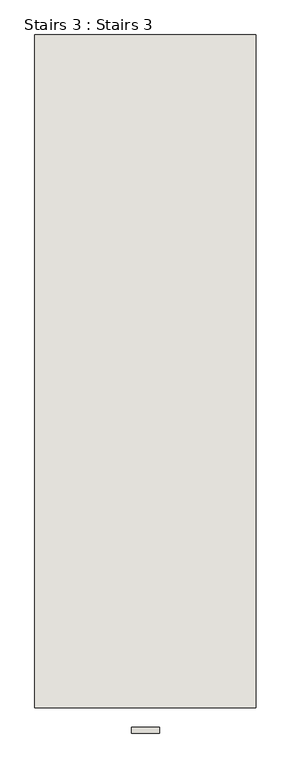
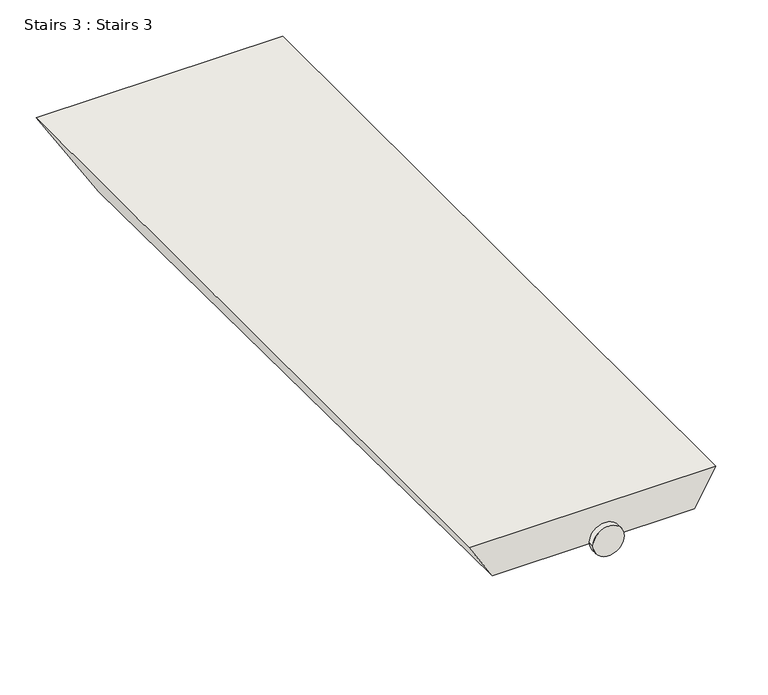
"""IFC4 building model written with IfcOpenShell, lengths in millimetres: wall geometry, Stairs 3 : Stairs 3."""

import ifcopenshell
import ifcopenshell.guid

model = None  # the IFC model being written
_history = None  # IfcOwnerHistory: only IFC2X3 demands one
_inside = {}  # id of a spatial element -> (the spatial element, [elements in it])
_under = {}  # id of a project, library or spatial element -> (it, [spatial elements below it])
_declared = {}  # id of a project -> (the project, [libraries it declares])
_typed = {}  # id of a type object -> (the type object, [elements of that type])
_made_of = {}  # id of a material, layer set ... -> (it, [elements and type objects made of it])


def new_model(schema):
    """Start an empty IFC model of exactly this schema.

    Asked for "IFC4X3", IfcOpenShell would pick the latest addendum, in which some entities
    have other attributes; the version numbers below select the first issue.
    IFC2X3 requires an IfcOwnerHistory on every rooted entity: one is made here for all.
    """
    global model, _history
    if schema == "IFC4X3":
        model = ifcopenshell.file(schema_version=(4, 3, 0, 0))
    else:
        model = ifcopenshell.file(schema=schema)
    _inside.clear()
    _under.clear()
    _declared.clear()
    _typed.clear()
    _made_of.clear()
    _history = None
    if model.schema == "IFC2X3":
        org = make("IfcOrganization", Name="unknown")
        user = make(
            "IfcPersonAndOrganization",
            ThePerson=make("IfcPerson", FamilyName="unknown"),
            TheOrganization=org,
        )
        app = make(
            "IfcApplication",
            ApplicationDeveloper=org,
            Version="unknown",
            ApplicationFullName="unknown",
            ApplicationIdentifier="unknown",
        )
        _history = make(
            "IfcOwnerHistory",
            OwningUser=user,
            OwningApplication=app,
            ChangeAction="ADDED",
            CreationDate=0,
        )
    return model


def make(cls, **values):
    """One entity of the class cls with the attributes given. An attribute that is None is left unset."""
    return model.create_entity(
        cls, **{name: value for name, value in values.items() if value is not None}
    )


def rooted(cls, **values):
    """An entity with a GlobalId (a new one), such as an element, a storey or a relation."""
    return make(cls, GlobalId=ifcopenshell.guid.new(), OwnerHistory=_history, **values)


def si_unit(unit_type, name, prefix=None):
    """IfcSIUnit, for example si_unit("LENGTHUNIT", "METRE", prefix="MILLI")."""
    return make("IfcSIUnit", UnitType=unit_type, Prefix=prefix, Name=name)


def assignment(units):
    """IfcUnitAssignment: the units of a project."""
    return None if units is None else make("IfcUnitAssignment", Units=units)


def point(xyz):
    """IfcCartesianPoint."""
    return None if xyz is None else make("IfcCartesianPoint", Coordinates=xyz)


def direction(xyz):
    """IfcDirection."""
    return None if xyz is None else make("IfcDirection", DirectionRatios=xyz)


def frame(location, z_axis=None, x_axis=None):
    """IfcAxis2Placement3D, a coordinate frame: its origin and axes. An axis left out is left unset."""
    return make(
        "IfcAxis2Placement3D",
        Location=point(location),
        Axis=direction(z_axis),
        RefDirection=direction(x_axis),
    )


def frame_2d(location, x_axis=None):
    """IfcAxis2Placement2D, a coordinate frame in the plane: its origin and x axis."""
    return make(
        "IfcAxis2Placement2D", Location=point(location), RefDirection=direction(x_axis)
    )


def origin():
    """The frame at (0, 0, 0) with its axes left unset."""
    return frame((0.0, 0.0, 0.0))


def place(relative_to, where):
    """IfcLocalPlacement: puts the frame where relative to a parent placement (None: the world)."""
    return make(
        "IfcLocalPlacement", PlacementRelTo=relative_to, RelativePlacement=where
    )


def context(
    kind, dimensions, precision=None, world=None, true_north=None, identifier=None
):
    """IfcGeometricRepresentationContext, for example the 3D "Model" context."""
    return make(
        "IfcGeometricRepresentationContext",
        ContextIdentifier=identifier,
        ContextType=kind,
        CoordinateSpaceDimension=dimensions,
        Precision=precision,
        WorldCoordinateSystem=world,
        TrueNorth=true_north,
    )


def project(units=None, contexts=None):
    """IfcProject with its units and contexts."""
    return rooted(
        "IfcProject",
        Name="project",
        RepresentationContexts=contexts,
        UnitsInContext=assignment(units),
    )


def spatial(cls, under=None, at=None, **own):
    """A site, building, storey or space (cls), placed at a placement, below another one or the project."""
    s = rooted(cls, ObjectPlacement=at, **own)
    if under is not None:
        _under.setdefault(under.id(), (under, []))[1].append(s)
    return s


def circle_curve(where, radius):
    """IfcCircle in the frame where."""
    return make("IfcCircle", Position=where, Radius=radius)


def trimmed(basis, trim1, trim2, sense, master):
    """IfcTrimmedCurve: the piece of a basis curve between two trims."""
    return make(
        "IfcTrimmedCurve",
        BasisCurve=basis,
        Trim1=trim1,
        Trim2=trim2,
        SenseAgreement=sense,
        MasterRepresentation=master,
    )


def segment(curve, same_sense, transition):
    """IfcCompositeCurveSegment."""
    return make(
        "IfcCompositeCurveSegment",
        Transition=transition,
        SameSense=same_sense,
        ParentCurve=curve,
    )


def composite_curve(segments, self_intersect=None):
    """IfcCompositeCurve: segments joined end to end."""
    return make("IfcCompositeCurve", Segments=segments, SelfIntersect=self_intersect)


def outline(outer, holes=None, kind="AREA"):
    """IfcArbitraryClosedProfileDef: a profile drawn as a closed curve; with holes, ...WithVoids."""
    if holes is None:
        return make("IfcArbitraryClosedProfileDef", ProfileType=kind, OuterCurve=outer)
    return make(
        "IfcArbitraryProfileDefWithVoids",
        ProfileType=kind,
        OuterCurve=outer,
        InnerCurves=holes,
    )


def extrude(swept, where, along, depth):
    """IfcExtrudedAreaSolid: the profile swept, set in the frame where, extruded along a direction by depth."""
    return make(
        "IfcExtrudedAreaSolid",
        SweptArea=swept,
        Position=where,
        ExtrudedDirection=direction(along),
        Depth=depth,
    )


def faces_of(points, faces, orient=None, outer=None):
    """IfcFace entities. A face is a list of loops; a loop is a list of indices into points, from 0.

    orient and outer hold one flag for each loop. By default every Orientation is true, the
    first loop of a face is its IfcFaceOuterBound and the others are IfcFaceBound.
    """
    made = []
    for i, loops in enumerate(faces):
        bounds = []
        for j, loop in enumerate(loops):
            is_outer = j == 0 if outer is None else outer[i][j]
            bounds.append(
                make(
                    "IfcFaceOuterBound" if is_outer else "IfcFaceBound",
                    Bound=make("IfcPolyLoop", Polygon=[points[k] for k in loop]),
                    Orientation=True if orient is None else orient[i][j],
                )
            )
        made.append(make("IfcFace", Bounds=bounds))
    return made


def faceted_brep(points, faces, orient=None, outer=None, voids=None):
    """IfcFacetedBrep: a solid bounded by flat faces; with voids (closed shells), ...WithVoids."""
    shared = [point(p) for p in points]
    hull = make("IfcClosedShell", CfsFaces=faces_of(shared, faces, orient, outer))
    if voids is None:
        return make("IfcFacetedBrep", Outer=hull)
    return make(
        "IfcFacetedBrepWithVoids",
        Outer=hull,
        Voids=[
            make(cls, CfsFaces=faces_of(shared, fs, o, b)) for cls, fs, o, b in voids
        ],
    )


def shape(context_of_items, identifier, shape_type, items):
    """IfcShapeRepresentation: the items that make up one representation, for example the "Body"."""
    return make(
        "IfcShapeRepresentation",
        ContextOfItems=context_of_items,
        RepresentationIdentifier=identifier,
        RepresentationType=shape_type,
        Items=items,
    )


def source(mapping_origin, context_of_items, identifier, shape_type, items):
    """IfcRepresentationMap: a shape defined once, which mapped items show again and again."""
    return make(
        "IfcRepresentationMap",
        MappingOrigin=mapping_origin,
        MappedRepresentation=shape(context_of_items, identifier, shape_type, items),
    )


def transform(
    local_origin,
    x_axis=None,
    y_axis=None,
    z_axis=None,
    scale=None,
    scale2=None,
    scale3=None,
    uniform=True,
):
    """IfcCartesianTransformationOperator3D, or its non-uniform kind. x_axis, y_axis, z_axis: its Axis1, 2, 3."""
    if uniform:
        return make(
            "IfcCartesianTransformationOperator3D",
            Axis1=direction(x_axis),
            Axis2=direction(y_axis),
            LocalOrigin=point(local_origin),
            Scale=scale,
            Axis3=direction(z_axis),
        )
    return make(
        "IfcCartesianTransformationOperator3DnonUniform",
        Axis1=direction(x_axis),
        Axis2=direction(y_axis),
        LocalOrigin=point(local_origin),
        Scale=scale,
        Axis3=direction(z_axis),
        Scale2=scale2,
        Scale3=scale3,
    )


def mapped(mapping_source, mapping_target):
    """IfcMappedItem: shows the shape of a source again, moved by a transform."""
    return make(
        "IfcMappedItem", MappingSource=mapping_source, MappingTarget=mapping_target
    )


def made_of(thing, what):
    """Note that an element or type object is made of a material, layer set ...; save() writes the relation."""
    if what is not None:
        _made_of.setdefault(what.id(), (what, []))[1].append(thing)
    return thing


def element(
    cls,
    number,
    at=None,
    inside=None,
    cuts=None,
    type_object=None,
    material=None,
    context=None,
    identifier="Body",
    shape_type=None,
    held_by="IfcProductDefinitionShape",
    body=None,
    shapes=None,
    **own,
):
    """One element of the class cls, such as IfcWall. Its Tag is "e" and its number.

    at: its placement. inside: the storey or other place that contains it. cuts: it is an
    opening in that element (IfcRelVoidsElement). A single representation is given by context,
    identifier, shape_type and body (its items); several are given by shapes. held_by: the class
    of the entity that holds the representations. save() writes the other relations.
    """
    e = rooted(cls, Tag="e%d" % number, ObjectPlacement=at, **own)
    if body is not None:
        shapes = [shape(context, identifier, shape_type, body)]
    if shapes is not None:
        e.Representation = make(held_by, Representations=shapes)
    if inside is not None:
        _inside.setdefault(inside.id(), (inside, []))[1].append(e)
    if cuts is not None:
        rooted(
            "IfcRelVoidsElement", RelatingBuildingElement=cuts, RelatedOpeningElement=e
        )
    if type_object is not None:
        _typed.setdefault(type_object.id(), (type_object, []))[1].append(e)
    return made_of(e, material)


def aggregate(whole, parts):
    """IfcRelAggregates: a whole, such as a stair, and the parts it consists of."""
    return rooted("IfcRelAggregates", RelatingObject=whole, RelatedObjects=parts)


def save(model, path):
    """Write the relations noted so far, then the file.

    IfcRelAggregates (storeys below a building ...), IfcRelContainedInSpatialStructure (elements
    in a storey), IfcRelDefinesByType, IfcRelAssociatesMaterial and IfcRelDeclares: one each for
    every whole, place, type object, material and project.
    """
    for whole, parts in _under.values():
        aggregate(whole, parts)
    for where, things in _inside.values():
        rooted(
            "IfcRelContainedInSpatialStructure",
            RelatedElements=things,
            RelatingStructure=where,
        )
    for kind, things in _typed.values():
        rooted("IfcRelDefinesByType", RelatedObjects=things, RelatingType=kind)
    for what, things in _made_of.values():
        rooted("IfcRelAssociatesMaterial", RelatedObjects=things, RelatingMaterial=what)
    for by, libraries in _declared.values():
        rooted("IfcRelDeclares", RelatingContext=by, RelatedDefinitions=libraries)
    model.write(path)


def stairs_3_stairs_3_cb7debac(model_context):
    return source(origin(), model_context, "Body", "SolidModel", [
        extrude(outline(composite_curve([segment(trimmed(circle_curve(frame_2d((70652.1338601, 99402.6566908)), 25.0), [point((70652.1338601, 99427.6566908))], [point((70652.1338601, 99377.6566908))], False, "CARTESIAN"), True, "CONTINUOUS"), segment(trimmed(circle_curve(frame_2d((70652.1338601, 99402.6566908)), 25.0), [point((70652.1338601, 99377.6566908))], [point((70652.1338601, 99427.6566908))], False, "CARTESIAN"), True, "CONTINUOUS")], self_intersect=False)), frame((0.0, -36520.9230841, 0.0), z_axis=(0.0, 1.0, 0.0), x_axis=(0.0, 0.0, 1.0)), (0.0, 0.0, 1.0), 10.0),
        faceted_brep([(99600.0036705, -36475.9230841, 70682.1338601), (99205.3097111, -36475.9230841, 70682.1338601), (99242.8018722, -36475.9230841, 70622.1338601), (99565.3626544, -36475.9230841, 70622.1338601), (99205.3097111, -35275.9230841, 70682.1338601), (99600.0036705, -35275.9230841, 70682.1338601), (99507.6276275, -35275.9230841, 70522.1338601), (99305.2888074, -35275.9230841, 70522.1338601)], [[[0, 1, 2, 3]], [[4, 5, 6, 7]], [[5, 4, 1, 0]], [[7, 6, 3, 2]], [[2, 1, 4, 7]], [[0, 3, 6, 5]]]),
    ])


if __name__ == "__main__":
    model = new_model("IFC4")
    model_context = context("Model", 3, world=origin())
    ifc_project = project(units=[si_unit("LENGTHUNIT", "METRE", prefix="MILLI")], contexts=[model_context])
    site = spatial("IfcSite", under=ifc_project)
    building = spatial("IfcBuilding", under=site)
    placement = place(None, origin())
    stairs_3_stairs_3_shape = stairs_3_stairs_3_cb7debac(model_context)
    element("IfcWall", 1, ObjectType="Stairs 3 : Stairs 3", at=placement, inside=building, context=model_context, shape_type="MappedRepresentation", body=[
        mapped(stairs_3_stairs_3_shape, transform((0.0, 0.0, 0.0), x_axis=(1.0, 0.0, 0.0), y_axis=(0.0, 1.0, 0.0), z_axis=(0.0, 0.0, 1.0))),
    ])
    save(model, "model.ifc")
